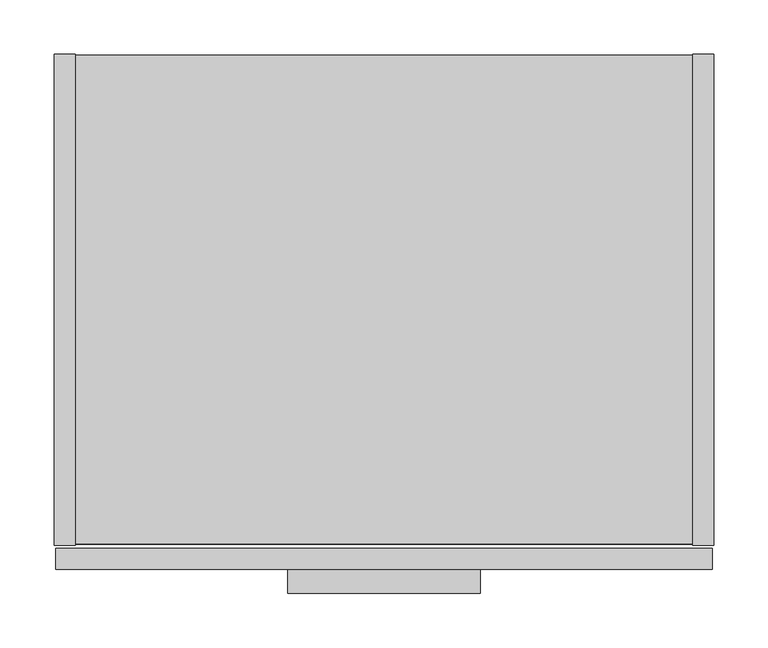
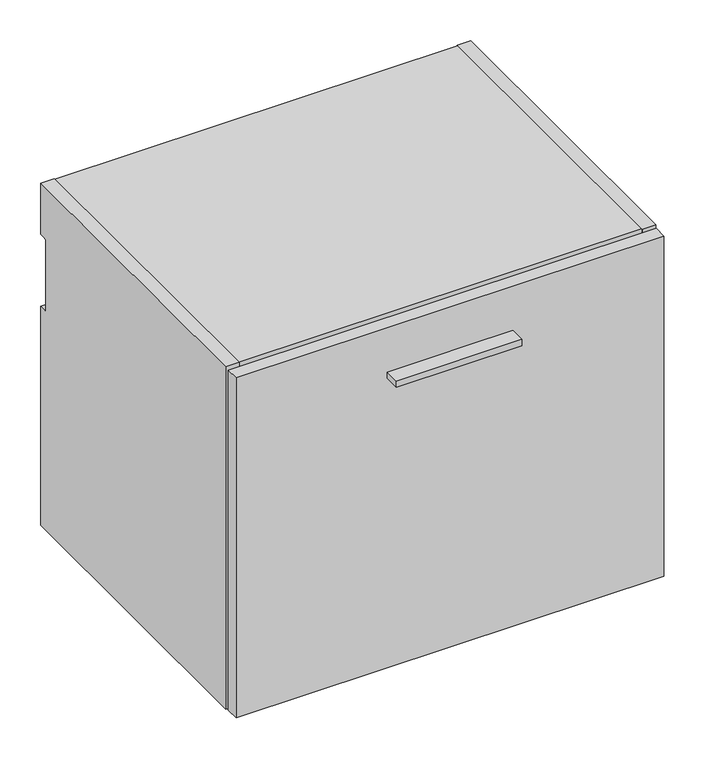
"""IFC4 building model written with IfcOpenShell, lengths in millimetres: furniture geometry."""

from ifc_helpers import new_model, si_unit, point, frame, frame_2d, origin, place, context, project, spatial, polyline, circle_curve, trimmed, segment, composite_curve, outline, extrude, source, transform, mapped, element, save


def furniture_544be73c(model_context):
    return source(origin(), model_context, "Body", "SweptSolid", [
        extrude(outline(polyline([(393.7, -498.729), (215.9, -498.729), (215.9, -476.504), (393.7, -476.504), (393.7, -498.729)])), frame((0.0, 0.0, 759.1425), z_axis=(0.0, 0.0, 1.0), x_axis=(1.0, 0.0, 0.0)), (0.0, 0.0, 1.0), 9.525),
        extrude(outline(polyline([(608.0125, -476.504), (1.5875, -476.504), (1.5875, -457.2), (608.0125, -457.2), (608.0125, -476.504)])), frame((0.0, 0.0, 325.6026), z_axis=(0.0, 0.0, 1.0), x_axis=(1.0, 0.0, 0.0)), (0.0, 0.0, 1.0), 509.4224),
        extrude(outline(composite_curve([segment(polyline([(-454.025, 838.2), (0.0, 838.2), (0.0, 761.492), (-9.3963729, 761.492)]), True, "CONTINUOUS"), segment(trimmed(circle_curve(frame_2d((-9.3963729, 758.1883729)), 3.3036271), [point((-9.3963729, 761.492))], [point((-12.7, 758.1883729))], True, "CARTESIAN"), True, "CONTINUOUS"), segment(polyline([(-12.7, 758.1883729), (-12.7, 656.844)]), True, "CONTINUOUS"), segment(trimmed(circle_curve(frame_2d((-9.398, 656.844)), 3.302), [point((-12.7, 656.844))], [point((-9.398, 653.542))], True, "CARTESIAN"), True, "CONTINUOUS"), segment(polyline([(-9.398, 653.542), (0.0, 653.542), (0.0, 325.628), (-454.025, 325.628), (-454.025, 838.2)]), True, "CONTINUOUS")], self_intersect=False)), frame((590.296, 0.0, 0.0), z_axis=(1.0, 0.0, 0.0), x_axis=(0.0, 1.0, 0.0)), (0.0, 0.0, 1.0), 19.304),
        extrude(outline(polyline([(590.296, -0.9906), (590.296, -453.0344), (19.304, -453.0344), (19.304, -0.9906), (590.296, -0.9906)])), frame((0.0, 0.0, 326.6186), z_axis=(0.0, 0.0, 1.0), x_axis=(1.0, 0.0, 0.0)), (0.0, 0.0, 1.0), 19.304),
        extrude(outline(composite_curve([segment(polyline([(-32.004, 818.896), (-11.938, 818.896), (-11.938, 760.2988429)]), True, "CONTINUOUS"), segment(trimmed(circle_curve(frame_2d((-9.3963729, 758.1883729)), 3.3036271), [point((-11.938, 760.2988429))], [point((-12.7, 758.1883729))], True, "CARTESIAN"), True, "CONTINUOUS"), segment(polyline([(-12.7, 758.1883729), (-12.7, 656.844)]), True, "CONTINUOUS"), segment(trimmed(circle_curve(frame_2d((-9.398, 656.844)), 3.302), [point((-12.7, 656.844))], [point((-11.938, 654.7341175))], True, "CARTESIAN"), True, "CONTINUOUS"), segment(polyline([(-11.938, 654.7341175), (-11.938, 345.9226), (-32.004, 345.9226), (-32.004, 818.896)]), True, "CONTINUOUS")], self_intersect=False)), frame((19.304, 0.0, 0.0), z_axis=(1.0, 0.0, 0.0), x_axis=(0.0, 1.0, 0.0)), (0.0, 0.0, 1.0), 570.992),
        extrude(outline(composite_curve([segment(polyline([(-454.025, 838.2), (0.0, 838.2), (0.0, 761.492), (-9.3963729, 761.492)]), True, "CONTINUOUS"), segment(trimmed(circle_curve(frame_2d((-9.3963729, 758.1883729)), 3.3036271), [point((-9.3963729, 761.492))], [point((-12.7, 758.1883729))], True, "CARTESIAN"), True, "CONTINUOUS"), segment(polyline([(-12.7, 758.1883729), (-12.7, 656.844)]), True, "CONTINUOUS"), segment(trimmed(circle_curve(frame_2d((-9.398, 656.844)), 3.302), [point((-12.7, 656.844))], [point((-9.398, 653.542))], True, "CARTESIAN"), True, "CONTINUOUS"), segment(polyline([(-9.398, 653.542), (0.0, 653.542), (0.0, 325.628), (-454.025, 325.628), (-454.025, 838.2)]), True, "CONTINUOUS")], self_intersect=False)), frame((0.0, 0.0, 0.0), z_axis=(1.0, 0.0, 0.0), x_axis=(0.0, 1.0, 0.0)), (0.0, 0.0, 1.0), 19.304),
        extrude(outline(polyline([(590.296, -453.0344), (19.304, -453.0344), (19.304, -0.9906), (590.296, -0.9906), (590.296, -453.0344)])), frame((0.0, 0.0, 818.896), z_axis=(0.0, 0.0, 1.0), x_axis=(1.0, 0.0, 0.0)), (0.0, 0.0, 1.0), 19.304),
    ])


if __name__ == "__main__":
    model = new_model("IFC4")
    model_context = context("Model", 3, world=origin())
    ifc_project = project(units=[si_unit("LENGTHUNIT", "METRE", prefix="MILLI")], contexts=[model_context])
    site = spatial("IfcSite", under=ifc_project)
    building = spatial("IfcBuilding", under=site)
    placement = place(None, origin())
    furniture_shape = furniture_544be73c(model_context)
    element("IfcFurniture", 1, at=placement, inside=building, context=model_context, shape_type="MappedRepresentation", body=[
        mapped(furniture_shape, transform((0.0, 0.0, 0.0), x_axis=(1.0, 0.0, 0.0), y_axis=(0.0, 1.0, 0.0), z_axis=(0.0, 0.0, 1.0))),
    ])
    save(model, "model.ifc")
